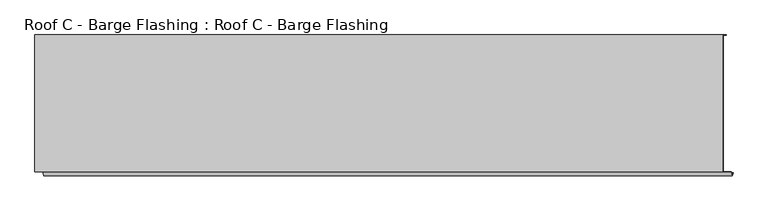
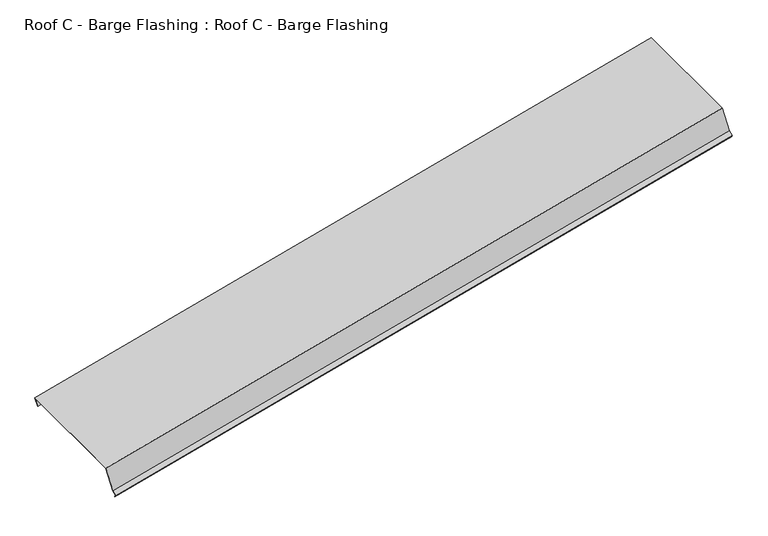
"""IFC4 building model written with IfcOpenShell, lengths in millimetres: proxy geometry, Roof C - Barge Flashing : Roof C - Barge Flashing."""

from ifc_helpers import new_model, si_unit, frame, origin, place, context, project, spatial, polyline, outline, extrude, source, transform, mapped, element, save


def roof_c_barge_flashing_roof_c_barge_flashing_6ac8e120(model_context):
    return source(origin(), model_context, "Body", "SweptSolid", [
        extrude(outline(polyline([(-469.9839668, -107.6029118), (-469.9839668, -67.6029118), (-468.9839668, -67.6029118), (-468.9839668, -106.6029118), (18.2657646, -106.6029118), (18.2657646, 2.8113018), (31.9936867, 16.5392239), (22.0941917, 26.4387188), (22.8012985, 27.1458256), (33.4079002, 16.5392239), (19.2657646, 2.3970882), (19.2657646, -107.6029118), (-469.9839668, -107.6029118)])), frame((4870.8669178, -2745.0, 3194.1221318), z_axis=(0.9659258262890686, 0.0, 0.2588190451025195), x_axis=(0.0, -1.0, 0.0)), (0.0, 0.0, 1.0), 2546.2367807),
    ])


if __name__ == "__main__":
    model = new_model("IFC4")
    model_context = context("Model", 3, world=origin())
    ifc_project = project(units=[si_unit("LENGTHUNIT", "METRE", prefix="MILLI")], contexts=[model_context])
    site = spatial("IfcSite", under=ifc_project)
    building = spatial("IfcBuilding", under=site)
    placement = place(None, origin())
    roof_c_barge_flashing_roof_c_barge_flashing_shape = roof_c_barge_flashing_roof_c_barge_flashing_6ac8e120(model_context)
    element("IfcBuildingElementProxy", 1, Name="Roof C - Barge Flashing : Roof C - Barge Flashing", ObjectType="Roof C - Barge Flashing : Roof C - Barge Flashing", at=placement, inside=building, context=model_context, shape_type="MappedRepresentation", body=[
        mapped(roof_c_barge_flashing_roof_c_barge_flashing_shape, transform((0.0, 0.0, 0.0), x_axis=(1.0, 0.0, 0.0), y_axis=(0.0, 1.0, 0.0), z_axis=(0.0, 0.0, 1.0))),
    ])
    save(model, "model.ifc")
